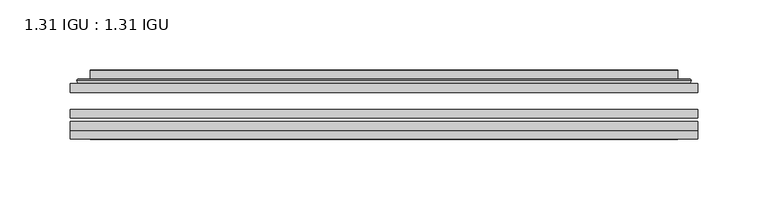
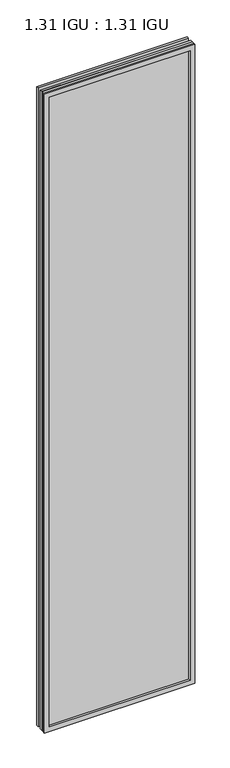
"""IFC4 building model written with IfcOpenShell, lengths in millimetres: plate geometry, 1.31 IGU : 1.31 IGU."""

from ifc_helpers import new_model, si_unit, frame, origin, place, context, project, spatial, polyline, ellipse_curve, outline, extrude, faceted_brep, source, transform, mapped, element, save
from ifc_brep_helpers import plane_surface, cylinder_surface, advanced_brep


def plate_1_31_igu_1_31_igu_2d318caa(model_context):
    return source(origin(), model_context, "Body", "SolidModel", [
        extrude(outline(polyline([(223.851675, -63.59525), (223.851675, -69.94525), (-223.8375, -69.94525), (-223.8375, -63.59525), (223.851675, -63.59525)])), frame((0.0, 0.0, -14.2875), z_axis=(0.0, 0.0, 1.0), x_axis=(1.0, 0.0, 0.0)), (0.0, 0.0, 1.0), 2009.8015278),
        extrude(outline(polyline([(-223.8375, -78.58125), (-223.8375, -72.230745), (223.851675, -72.230745), (223.851675, -78.58125), (-223.8375, -78.58125)])), frame((0.0, 0.0, -14.2875), z_axis=(0.0, 0.0, 1.0), x_axis=(1.0, 0.0, 0.0)), (0.0, 0.0, 1.0), 2009.8015278),
        extrude(outline(polyline([(223.851675, -45.25645), (223.851675, -51.60645), (-223.8375, -51.60645), (-223.8375, -45.25645), (223.851675, -45.25645)])), frame((0.0, 0.0, -14.2875), z_axis=(0.0, 0.0, 1.0), x_axis=(1.0, 0.0, 0.0)), (0.0, 0.0, 1.0), 2009.8015278),
        faceted_brep([(-223.8502, -84.93125, 1995.5229299), (-223.8502, -78.58125, 1995.5229299), (-223.8502, -78.58125, -14.3002), (-223.8502, -84.93125, -14.3002), (223.8502, -78.58125, -14.3002), (223.8502, -84.93125, -14.3002), (223.8502, -78.58125, 1995.5229299), (223.8502, -84.93125, 1995.5229299), (-208.6522559, -78.58125, 0.8977441), (208.6522559, -78.58125, 0.8977441), (208.6522559, -78.58125, 1980.3249858), (-208.6522559, -78.58125, 1980.3249858), (-209.5446902, -84.93125, 1981.2174201), (209.5446902, -84.93125, 1981.2174201), (209.5446902, -84.93125, 0.0053098), (-209.5446902, -84.93125, 0.0053098)], [[[0, 1, 2, 3]], [[3, 2, 4, 5]], [[5, 4, 6, 7]], [[1, 6, 4, 2], [8, 9, 10, 11]], [[7, 6, 1, 0]], [[3, 5, 7, 0], [12, 13, 14, 15]], [[11, 12, 15, 8]], [[8, 15, 14, 9]], [[9, 14, 13, 10]], [[10, 13, 12, 11]]]),
        advanced_brep(
        [(-216.596219, -45.25645, 1988.2689489), (-218.9504244, -43.2667833, 1990.6231543), (-218.9504244, -43.2667833, -9.4004244), (-216.596219, -45.25645, -7.046219), (-207.5218939, -41.416413, 1979.1946238), (-202.5870621, -45.25645, 1974.2597919), (-202.5870621, -45.25645, 6.9629379), (-207.5218939, -41.416413, 2.0281061), (-208.5539217, -36.0191819, 1980.2266515), (-208.5539217, -36.0191819, 0.9960783), (-209.5445784, -35.6202069, 1981.2173083), (-209.5445784, -35.6202069, 0.0054216), (-209.5445784, -42.08145, 1981.2173083), (-209.5445784, -42.08145, 0.0054216), (-217.9486349, -42.08145, 1989.6213648), (-217.9486349, -42.08145, -8.3986349), (218.9504244, -43.2667833, -9.4004244), (216.596219, -45.25645, -7.046219), (202.5870621, -45.25645, 6.9629379), (207.5218939, -41.416413, 2.0281061), (208.5539217, -36.0191819, 0.9960783), (209.5445784, -35.6202069, 0.0054216), (209.5445784, -42.08145, 0.0054216), (217.9486349, -42.08145, -8.3986349), (218.9504244, -43.2667833, 1990.6231543), (216.596219, -45.25645, 1988.2689489), (202.5870621, -45.25645, 1974.2597919), (207.5218939, -41.416413, 1979.1946238), (208.5539217, -36.0191819, 1980.2266515), (209.5445784, -35.6202069, 1981.2173083), (209.5445784, -42.08145, 1981.2173083), (217.9486349, -42.08145, 1989.6213648)],
        [
            (0, 1, ellipse_curve(frame((-216.596219, -42.86885, 1988.2689489), z_axis=(-0.7071067811865475, 0.0, -0.7071067811865475), x_axis=(-0.7071067811865474, 0.0, 0.7071067811865476)), 3.3765763, 2.3876)),
            (1, 2),
            (2, 3, ellipse_curve(frame((-216.596219, -42.86885, -7.046219), z_axis=(-0.7071067811865475, 0.0, 0.7071067811865475), x_axis=(0.7071067811865474, 0.0, 0.7071067811865476)), 3.3765763, 2.3876)),
            (3, 0),
            (4, 5),
            (5, 6),
            (6, 7),
            (7, 4),
            (8, 4),
            (7, 9),
            (9, 8),
            (10, 8, ellipse_curve(frame((-209.1776219, -36.1384423, 1980.8503517), z_axis=(-0.7071067811865475, 0.0, -0.7071067811865475), x_axis=(-0.7071067811865474, 0.0, 0.7071067811865476)), 0.8980256, 0.635)),
            (9, 11, ellipse_curve(frame((-209.1776219, -36.1384423, 0.3723781), z_axis=(-0.7071067811865475, 0.0, 0.7071067811865475), x_axis=(0.7071067811865474, 0.0, 0.7071067811865476)), 0.8980256, 0.635)),
            (11, 10),
            (12, 10),
            (11, 13),
            (13, 12),
            (1, 14, ellipse_curve(frame((-217.9486349, -43.09745, 1989.6213648), z_axis=(-0.7071067811865475, 0.0, -0.7071067811865475), x_axis=(-0.7071067811865474, 0.0, 0.7071067811865476)), 1.436841, 1.016)),
            (14, 15),
            (15, 2, ellipse_curve(frame((-217.9486349, -43.09745, -8.3986349), z_axis=(-0.7071067811865475, 0.0, 0.7071067811865475), x_axis=(0.7071067811865474, 0.0, 0.7071067811865476)), 1.436841, 1.016)),
            (2, 16),
            (16, 17, ellipse_curve(frame((216.596219, -42.86885, -7.046219), z_axis=(-0.7071067811865475, 0.0, -0.7071067811865475), x_axis=(-0.7071067811865476, 0.0, 0.7071067811865474)), 3.3765763, 2.3876)),
            (17, 3),
            (6, 18),
            (18, 19),
            (19, 7),
            (19, 20),
            (20, 9),
            (20, 21, ellipse_curve(frame((209.1776219, -36.1384423, 0.3723781), z_axis=(-0.7071067811865475, 0.0, -0.7071067811865475), x_axis=(-0.7071067811865476, 0.0, 0.7071067811865474)), 0.8980256, 0.635)),
            (21, 11),
            (21, 22),
            (22, 13),
            (15, 23),
            (23, 16, ellipse_curve(frame((217.9486349, -43.09745, -8.3986349), z_axis=(-0.7071067811865475, 0.0, -0.7071067811865475), x_axis=(-0.7071067811865476, 0.0, 0.7071067811865474)), 1.436841, 1.016)),
            (16, 24),
            (24, 25, ellipse_curve(frame((216.596219, -42.86885, 1988.2689489), z_axis=(0.7071067811865475, 0.0, -0.7071067811865475), x_axis=(-0.7071067811865474, 0.0, -0.7071067811865476)), 3.3765763, 2.3876)),
            (25, 17),
            (18, 26),
            (26, 27),
            (27, 19),
            (27, 28),
            (28, 20),
            (28, 29, ellipse_curve(frame((209.1776219, -36.1384423, 1980.8503517), z_axis=(0.7071067811865475, 0.0, -0.7071067811865475), x_axis=(-0.7071067811865474, 0.0, -0.7071067811865476)), 0.8980256, 0.635)),
            (29, 21),
            (29, 30),
            (30, 22),
            (23, 31),
            (31, 24, ellipse_curve(frame((217.9486349, -43.09745, 1989.6213648), z_axis=(0.7071067811865475, 0.0, -0.7071067811865475), x_axis=(-0.7071067811865474, 0.0, -0.7071067811865476)), 1.436841, 1.016)),
            (24, 1),
            (0, 25),
            (5, 26),
            (4, 27),
            (8, 28),
            (10, 29),
            (12, 30),
            (14, 31),
        ],
        [
            cylinder_surface(frame((-216.596219, -42.86885, 2012.9727299), z_axis=(0.0, 0.0, 1.0), x_axis=(-1.0, 0.0, 0.0)), 2.3876),
            plane_surface(frame((-202.5870621, -45.25645, 1974.2597919), z_axis=(0.6141233906514794, 0.7892100234124821, 0.0), x_axis=(0.0, 0.0, -1.0))),
            plane_surface(frame((-207.5218939, -41.416413, 1979.1946238), z_axis=(0.9822050625507729, 0.18781164793386076, 0.0), x_axis=(0.0, 0.0, -1.0))),
            cylinder_surface(frame((-209.1776219, -36.1384423, 2012.9727299), z_axis=(0.0, 0.0, 1.0), x_axis=(-1.0, 0.0, 0.0)), 0.635),
            plane_surface(frame((-209.5445784, -35.6202069, 1981.2173083), z_axis=(-1.0, 0.0, 0.0), x_axis=(0.0, 0.0, -1.0))),
            cylinder_surface(frame((-217.9486349, -43.09745, 2012.9727299), z_axis=(0.0, 0.0, 1.0), x_axis=(-1.0, 0.0, 0.0)), 1.016),
            cylinder_surface(frame((-241.3, -42.86885, -7.046219), z_axis=(-1.0, 0.0, 0.0), x_axis=(0.0, 0.0, -1.0)), 2.3876),
            plane_surface(frame((-202.5870621, -45.25645, 6.9629379), z_axis=(0.0, 0.7892100234124841, 0.6141233906514768), x_axis=(1.0, 0.0, 0.0))),
            plane_surface(frame((-207.5218939, -41.416413, 2.0281061), z_axis=(0.0, 0.18781164793386393, 0.9822050625507723), x_axis=(1.0, 0.0, 0.0))),
            cylinder_surface(frame((-241.3, -36.1384423, 0.3723781), z_axis=(-1.0, 0.0, 0.0), x_axis=(0.0, 0.0, -1.0)), 0.635),
            plane_surface(frame((-209.5445784, -35.6202069, 0.0054216), z_axis=(0.0, 0.0, -1.0), x_axis=(1.0, 0.0, 0.0))),
            cylinder_surface(frame((-241.3, -43.09745, -8.3986349), z_axis=(-1.0, 0.0, 0.0), x_axis=(0.0, 0.0, -1.0)), 1.016),
            cylinder_surface(frame((216.596219, -42.86885, -31.75), z_axis=(0.0, 0.0, -1.0), x_axis=(1.0, 0.0, 0.0)), 2.3876),
            plane_surface(frame((202.5870621, -45.25645, 6.9629379), z_axis=(-0.6141233906514743, 0.7892100234124861, 0.0), x_axis=(0.0, 0.0, 1.0))),
            plane_surface(frame((207.5218939, -41.416413, 2.0281061), z_axis=(-0.9822050625507718, 0.1878116479338671, 0.0), x_axis=(0.0, 0.0, 1.0))),
            cylinder_surface(frame((209.1776219, -36.1384423, -31.75), z_axis=(0.0, 0.0, -1.0), x_axis=(1.0, 0.0, 0.0)), 0.635),
            plane_surface(frame((209.5445784, -35.6202069, 0.0054216), z_axis=(1.0, 0.0, 0.0), x_axis=(0.0, 0.0, 1.0))),
            cylinder_surface(frame((217.9486349, -43.09745, -31.75), z_axis=(0.0, 0.0, -1.0), x_axis=(1.0, 0.0, 0.0)), 1.016),
            cylinder_surface(frame((241.3, -42.86885, 1988.2689489), z_axis=(1.0, 0.0, 0.0), x_axis=(0.0, 0.0, 1.0)), 2.3876),
            plane_surface(frame((216.596219, -45.25645, 1988.2689489), z_axis=(0.0, -1.0, 0.0), x_axis=(-1.0, 0.0, 0.0))),
            plane_surface(frame((202.5870621, -45.25645, 1974.2597919), z_axis=(0.0, 0.7892100234124841, -0.6141233906514768), x_axis=(-1.0, 0.0, 0.0))),
            plane_surface(frame((207.5218939, -41.416413, 1979.1946238), z_axis=(0.0, 0.18781164793386393, -0.9822050625507723), x_axis=(-1.0, 0.0, 0.0))),
            cylinder_surface(frame((241.3, -36.1384423, 1980.8503517), z_axis=(1.0, 0.0, 0.0), x_axis=(0.0, 0.0, 1.0)), 0.635),
            plane_surface(frame((209.5445784, -35.6202069, 1981.2173083), z_axis=(0.0, 0.0, 1.0), x_axis=(-1.0, 0.0, 0.0))),
            plane_surface(frame((209.5445784, -42.08145, 1981.2173083), z_axis=(0.0, 1.0, 0.0), x_axis=(-1.0, 0.0, 0.0))),
            cylinder_surface(frame((241.3, -43.09745, 1989.6213648), z_axis=(1.0, 0.0, 0.0), x_axis=(0.0, 0.0, 1.0)), 1.016),
        ],
        [
            (0, [[1, 2, 3, 4]]),
            (1, [[5, 6, 7, 8]]),
            (2, [[9, -8, 10, 11]]),
            (3, [[12, -11, 13, 14]]),
            (4, [[15, -14, 16, 17]]),
            (5, [[18, 19, 20, -2]]),
            (6, [[-3, 21, 22, 23]]),
            (7, [[-7, 24, 25, 26]]),
            (8, [[-10, -26, 27, 28]]),
            (9, [[-13, -28, 29, 30]]),
            (10, [[-16, -30, 31, 32]]),
            (11, [[-20, 33, 34, -21]]),
            (12, [[-22, 35, 36, 37]]),
            (13, [[-25, 38, 39, 40]]),
            (14, [[-27, -40, 41, 42]]),
            (15, [[-29, -42, 43, 44]]),
            (16, [[-31, -44, 45, 46]]),
            (17, [[-34, 47, 48, -35]]),
            (18, [[-36, 49, -1, 50]]),
            (19, [[-23, -37, -50, -4], [51, -38, -24, -6]]),
            (20, [[-39, -51, -5, 52]]),
            (21, [[-41, -52, -9, 53]]),
            (22, [[-43, -53, -12, 54]]),
            (23, [[-45, -54, -15, 55]]),
            (24, [[56, -47, -33, -19], [-32, -46, -55, -17]]),
            (25, [[-48, -56, -18, -49]]),
        ],
    ),
    ])


if __name__ == "__main__":
    model = new_model("IFC4")
    model_context = context("Model", 3, world=origin())
    ifc_project = project(units=[si_unit("LENGTHUNIT", "METRE", prefix="MILLI")], contexts=[model_context])
    site = spatial("IfcSite", under=ifc_project)
    building = spatial("IfcBuilding", under=site)
    placement = place(None, origin())
    plate_1_31_igu_1_31_igu_shape = plate_1_31_igu_1_31_igu_2d318caa(model_context)
    element("IfcPlate", 1, ObjectType="1.31 IGU : 1.31 IGU", at=placement, inside=building, context=model_context, shape_type="MappedRepresentation", body=[
        mapped(plate_1_31_igu_1_31_igu_shape, transform((0.0, 0.0, 0.0), x_axis=(1.0, 0.0, 0.0), y_axis=(0.0, 1.0, 0.0), z_axis=(0.0, 0.0, 1.0))),
    ])
    save(model, "model.ifc")
